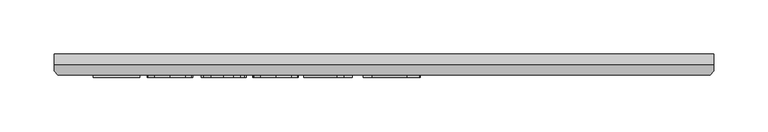
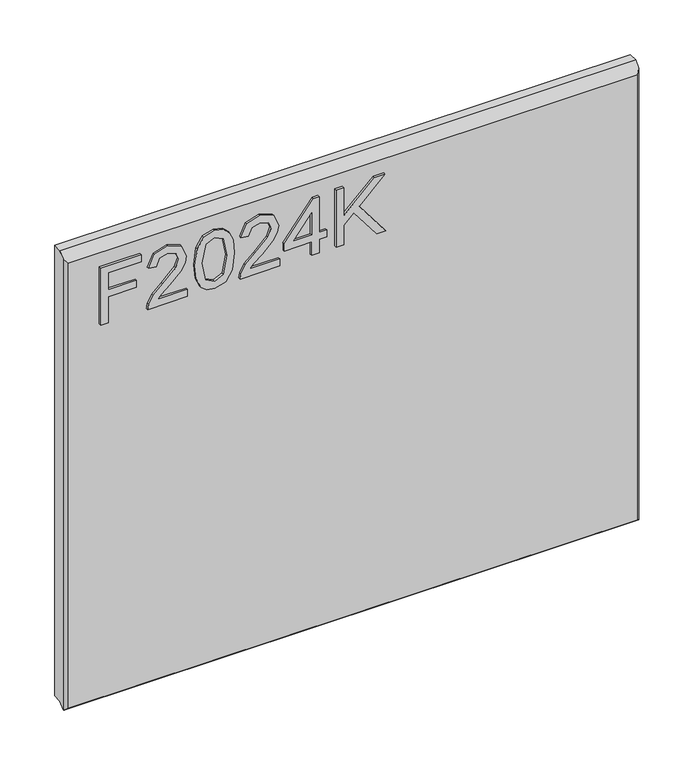
"""IFC4 building model written with IfcOpenShell, lengths in millimetres: furniture geometry."""

from ifc_helpers import new_model, si_unit, frame, origin, place, context, project, spatial, polyline, outline, extrude, faceted_brep, source, transform, mapped, element, save


def furniture_3c24b887(model_context):
    return source(origin(), model_context, "Body", "SolidModel", [
        extrude(outline(polyline([(1523.8020388, -249.8436441), (1523.8020388, -241.8699245), (1552.7067724, -241.8699245), (1552.7067724, -211.9684759), (1560.680492, -211.9684759), (1560.680492, -241.8699245), (1579.6180761, -241.8699245), (1579.6180761, -206.9849011), (1587.5917957, -206.9849011), (1587.5917957, -249.8436441), (1523.8020388, -249.8436441)])), frame((0.0, -21.9273437, 0.0), z_axis=(0.0, 1.0, 0.0), x_axis=(0.0, 0.0, 1.0)), (0.0, 0.0, 1.0), 2.38125),
        extrude(outline(polyline([(1531.7757584, -158.1458685), (1531.7757584, -189.4645211), (1535.8326997, -185.8670031), (1543.5027327, -176.6941108), (1554.427663, -165.270823), (1562.2456459, -160.5597875), (1569.8066633, -159.1425834), (1582.4836316, -164.3986974), (1587.5917957, -178.671967), (1582.9975627, -192.8985156), (1569.6509266, -199.0111815), (1568.6542116, -191.0374619), (1576.7057996, -187.6813358), (1579.6180761, -178.8432774), (1576.6357181, -170.3634135), (1569.3238795, -167.116303), (1560.2911502, -170.5580844), (1547.0068087, -184.3252096), (1537.7638349, -194.3079328), (1529.2995447, -199.1513445), (1523.8020388, -200.0078965), (1523.8020388, -158.1458685), (1531.7757584, -158.1458685)])), frame((0.0, -21.9273437, 0.0), z_axis=(0.0, 1.0, 0.0), x_axis=(0.0, 0.0, 1.0)), (0.0, 0.0, 1.0), 2.38125),
        extrude(outline(polyline([(1555.1829861, -150.1721488), (1539.6677162, -148.5836344), (1528.8790555, -143.818091), (1524.3237567, -137.5263279), (1522.8053238, -129.2411348), (1526.301613, -117.5686683), (1536.907283, -110.6305978), (1555.1829861, -108.3101208), (1570.1726445, -109.7584723), (1579.6102892, -113.4961533), (1585.5360711, -119.9280795), (1587.5917957, -129.2411348), (1584.118867, -140.8668803), (1573.5365575, -147.8283113), (1555.1829861, -150.1721488)]), holes=[polyline([(1555.1985597, -142.1984292), (1575.3508902, -138.3361588), (1579.6180761, -129.3345769), (1574.7746644, -119.8969322), (1555.1985597, -116.2838405), (1535.4122106, -120.0215215), (1530.7790434, -129.2411348), (1535.3966369, -138.4607482), (1555.1985597, -142.1984292)])]), frame((0.0, -21.9273438, 0.0), z_axis=(0.0, 1.0, 0.0), x_axis=(0.0, 0.0, 1.0)), (0.0, 0.0, 1.0), 2.38125),
        extrude(outline(polyline([(1531.7757584, -60.4678031), (1531.7757584, -91.7864558), (1535.8326997, -88.1889378), (1543.5027327, -79.0160455), (1554.427663, -67.5927577), (1562.2456459, -62.8817222), (1569.8066633, -61.4645181), (1582.4836316, -66.7206321), (1587.5917957, -80.9939017), (1582.9975627, -95.2204503), (1569.6509266, -101.3331162), (1568.6542116, -93.3593966), (1576.7057996, -90.0032704), (1579.6180761, -81.1652121), (1576.6357181, -72.6853481), (1569.3238795, -69.4382377), (1560.2911502, -72.880019), (1547.0068087, -86.6471443), (1537.7638349, -96.6298675), (1529.2995447, -101.4732792), (1523.8020388, -102.3298311), (1523.8020388, -60.4678031), (1531.7757584, -60.4678031)])), frame((0.0, -21.9273437, 0.0), z_axis=(0.0, 1.0, 0.0), x_axis=(0.0, 0.0, 1.0)), (0.0, 0.0, 1.0), 2.38125),
        extrude(outline(polyline([(1523.8020388, -26.5794948), (1523.8020388, -18.6057751), (1538.752763, -18.6057751), (1538.752763, -10.6320555), (1546.7264827, -10.6320555), (1546.7264827, -18.6057751), (1586.5950807, -18.6057751), (1586.5950807, -24.5860649), (1546.7264827, -55.4842284), (1538.752763, -55.4842284), (1538.752763, -26.5794948), (1523.8020388, -26.5794948)]), holes=[polyline([(1546.7264827, -26.5794948), (1546.7264827, -45.6728156), (1571.3640304, -26.5794948), (1546.7264827, -26.5794948)])]), frame((0.0, -21.9273438, 0.0), z_axis=(0.0, 1.0, 0.0), x_axis=(0.0, 0.0, 1.0)), (0.0, 0.0, 1.0), 2.38125),
        extrude(outline(polyline([(1523.8020388, -0.664906), (1523.8020388, 7.3088136), (1545.7297677, 7.3088136), (1555.9772433, 18.0546467), (1523.8020388, 42.4118683), (1523.8020388, 52.1609865), (1561.3657335, 23.7078893), (1587.5917957, 51.1642715), (1587.5917957, 40.013523), (1556.3665851, 7.3088136), (1587.5917957, 7.3088136), (1587.5917957, -0.664906), (1523.8020388, -0.664906)])), frame((0.0, -21.9273438, 0.0), z_axis=(0.0, 1.0, 0.0), x_axis=(0.0, 0.0, 1.0)), (0.0, 0.0, 1.0), 2.38125),
        faceted_brep([(323.5377049, 0.0, 1612.7020387), (-286.0622951, 0.0, 1612.7020387), (-286.0622951, -10.0314449, 1612.7020387), (323.5377049, -10.0314449, 1612.7020387), (-286.0622951, 0.0, 1108.174695), (323.5377049, 0.0, 1108.174695), (323.5377049, -10.0314449, 1108.174695), (-286.0622951, -10.0314449, 1108.174695), (-286.0622951, -15.7726273, 1102.4335127), (-286.0622951, -15.7726273, 1606.9608564), (-282.8959807, -19.5460937, 1104.999695), (320.3713906, -19.5460937, 1104.999695), (320.3713906, -19.5460937, 1603.1873899), (-282.8959807, -19.5460937, 1603.1873899), (323.5377049, -15.7726273, 1606.9608564), (323.5377049, -15.7726273, 1102.4335127), (-285.5514364, -16.3814449, 1101.824695), (323.0268462, -16.3814449, 1101.824695)], [[[0, 1, 2, 3]], [[4, 5, 6, 7]], [[1, 4, 7, 8, 9, 2]], [[10, 11, 12, 13]], [[5, 0, 3, 14, 15, 6]], [[1, 0, 5, 4]], [[11, 10, 16, 17]], [[7, 6, 15, 17, 16, 8]], [[3, 2, 9, 13, 12, 14]], [[9, 8, 16, 10, 13]], [[12, 11, 17, 15, 14]]]),
    ])


if __name__ == "__main__":
    model = new_model("IFC4")
    model_context = context("Model", 3, world=origin())
    ifc_project = project(units=[si_unit("LENGTHUNIT", "METRE", prefix="MILLI")], contexts=[model_context])
    site = spatial("IfcSite", under=ifc_project)
    building = spatial("IfcBuilding", under=site)
    placement = place(None, origin())
    furniture_shape = furniture_3c24b887(model_context)
    element("IfcFurniture", 1, at=placement, inside=building, context=model_context, shape_type="MappedRepresentation", body=[
        mapped(furniture_shape, transform((0.0, 0.0, 0.0), x_axis=(1.0, 0.0, 0.0), y_axis=(0.0, 1.0, 0.0), z_axis=(0.0, 0.0, 1.0))),
    ])
    save(model, "model.ifc")
